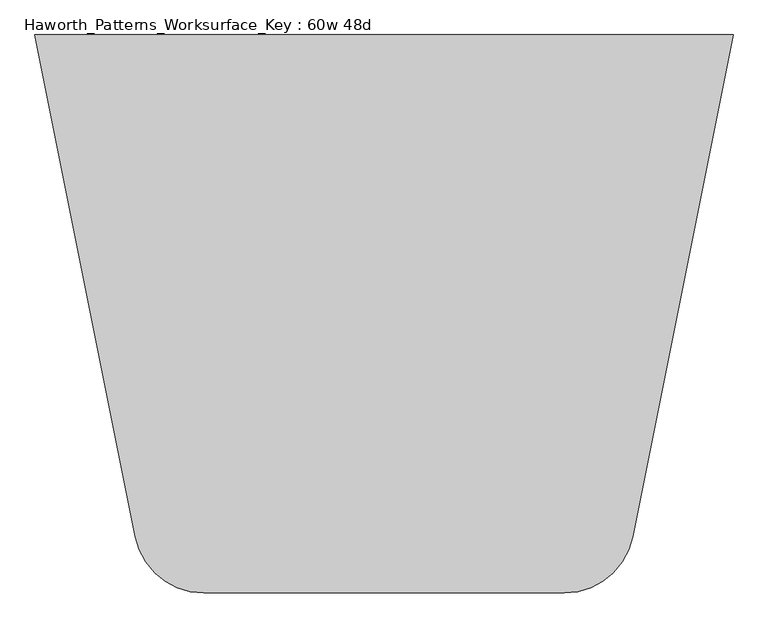
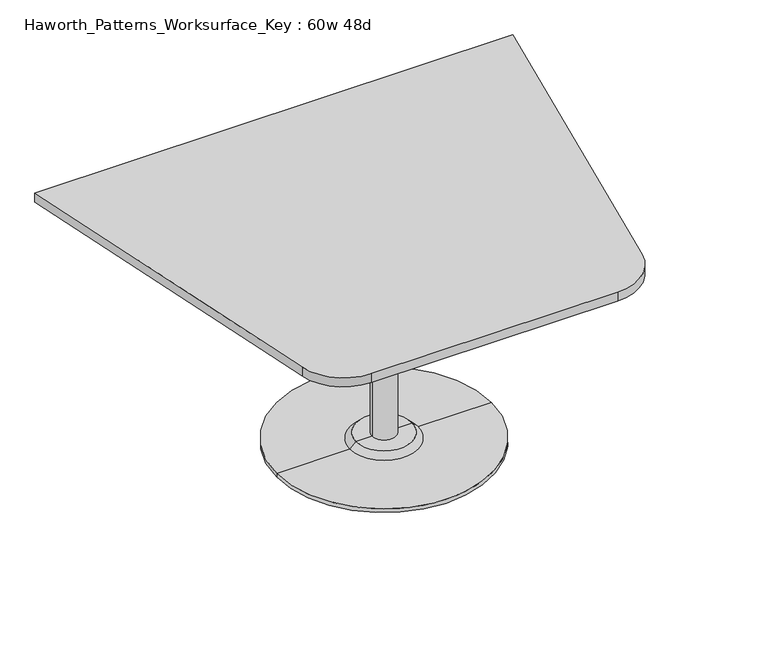
"""IFC4 building model written with IfcOpenShell, lengths in millimetres: furniture geometry, Haworth_Patterns_Worksurface_Key : 60w 48d."""

from ifc_helpers import new_model, si_unit, point, frame, frame_2d, origin, place, context, project, spatial, polyline, circle_curve, trimmed, segment, composite_curve, outline, extrude, source, transform, mapped, element, save
from ifc_brep_helpers import plane_surface, cylinder_surface, revolved_surface, advanced_brep


def haworth_patterns_worksurface_key_60w_48d_ac290f3c(model_context):
    return source(origin(), model_context, "Body", "SolidModel", [
        advanced_brep(
        [(38.1, 139.7, 706.4375), (-38.1, 139.7, 706.4375), (0.0, 139.7, 706.4375), (38.1, 139.7, 31.75), (-38.1, 139.7, 31.75), (89.723978, 139.7, 31.75), (-89.723978, 139.7, 31.75), (342.9, 139.7, 0.0), (-342.9, 139.7, 0.0), (-342.9, 139.7, 12.7), (342.9, 139.7, 12.7), (0.0, 139.7, 0.0), (108.773978, 139.7, 12.7), (-108.773978, 139.7, 12.7)],
        [
            (0, 1, circle_curve(frame((0.0, 139.7, 706.4375), z_axis=(0.0, 0.0, 1.0), x_axis=(-1.0, 0.0, 0.0)), 38.1)),
            (1, 2),
            (2, 0),
            (1, 0, circle_curve(frame((0.0, 139.7, 706.4375), z_axis=(0.0, 0.0, 1.0), x_axis=(-1.0, 0.0, 0.0)), 38.1)),
            (3, 4, circle_curve(frame((0.0, 139.7, 31.75), z_axis=(0.0, 0.0, 1.0), x_axis=(-1.0, 0.0, 0.0)), 38.1)),
            (4, 1),
            (0, 3),
            (4, 3, circle_curve(frame((0.0, 139.7, 31.75), z_axis=(0.0, 0.0, 1.0), x_axis=(-1.0, 0.0, 0.0)), 38.1)),
            (5, 6, circle_curve(frame((0.0, 139.7, 31.75), z_axis=(0.0, 0.0, 1.0), x_axis=(-1.0, 0.0, 0.0)), 89.723978)),
            (6, 4),
            (3, 5),
            (6, 5, circle_curve(frame((0.0, 139.7, 31.75), z_axis=(0.0, 0.0, 1.0), x_axis=(-1.0, 0.0, 0.0)), 89.723978)),
            (7, 8, circle_curve(frame((0.0, 139.7, 0.0), z_axis=(0.0, 0.0, 1.0), x_axis=(-1.0, 0.0, 0.0)), 342.9)),
            (8, 9),
            (9, 10, circle_curve(frame((0.0, 139.7, 12.7), z_axis=(0.0, 0.0, -1.0), x_axis=(-1.0, 0.0, 0.0)), 342.9)),
            (10, 7),
            (8, 7, circle_curve(frame((0.0, 139.7, 0.0), z_axis=(0.0, 0.0, 1.0), x_axis=(-1.0, 0.0, 0.0)), 342.9)),
            (10, 9, circle_curve(frame((0.0, 139.7, 12.7), z_axis=(0.0, 0.0, -1.0), x_axis=(-1.0, 0.0, 0.0)), 342.9)),
            (11, 8),
            (7, 11),
            (12, 13, circle_curve(frame((0.0, 139.7, 12.7), z_axis=(0.0, 0.0, 1.0), x_axis=(-1.0, 0.0, 0.0)), 108.773978)),
            (13, 6),
            (5, 12),
            (13, 12, circle_curve(frame((0.0, 139.7, 12.7), z_axis=(0.0, 0.0, 1.0), x_axis=(-1.0, 0.0, 0.0)), 108.773978)),
            (9, 13),
            (12, 10),
        ],
        [
            plane_surface(frame((0.0, 139.7, 706.4375), z_axis=(0.0, 0.0, 1.0), x_axis=(-1.0, 0.0, 0.0))),
            cylinder_surface(frame((0.0, 139.7, 889.623257), z_axis=(0.0, 0.0, -1.0), x_axis=(-1.0, 0.0, 0.0)), 38.1),
            plane_surface(frame((0.0, 139.7, 31.75), z_axis=(0.0, 0.0, 1.0), x_axis=(-1.0, 0.0, 0.0))),
            cylinder_surface(frame((0.0, 139.7, 889.623257), z_axis=(0.0, 0.0, -1.0), x_axis=(-1.0, 0.0, 0.0)), 342.9),
            plane_surface(frame((0.0, 139.7, 0.0), z_axis=(0.0, 0.0, -1.0), x_axis=(-1.0, 0.0, 0.0))),
            revolved_surface(polyline([(-89.723978, 139.7, 31.75), (-108.773978, 139.7, 12.7)]), (0.0, 139.7, 889.623257), (0.0, 0.0, -1.0)),
            plane_surface(frame((0.0, 139.7, 12.7), z_axis=(0.0, 0.0, 1.0), x_axis=(-1.0, 0.0, 0.0))),
        ],
        [
            (0, [[1, 2, 3]]),
            (0, [[4, -3, -2]]),
            (1, [[5, 6, -1, 7]]),
            (1, [[8, -7, -4, -6]]),
            (2, [[9, 10, -5, 11]]),
            (2, [[12, -11, -8, -10]]),
            (3, [[13, 14, 15, 16]]),
            (3, [[17, -16, 18, -14]]),
            (4, [[19, -13, 20]]),
            (4, [[-20, -17, -19]]),
            (5, [[21, 22, -9, 23]]),
            (5, [[24, -23, -12, -22]]),
            (6, [[-15, 25, -21, 26]]),
            (6, [[-18, -26, -24, -25]]),
        ],
    ),
        extrude(outline(composite_curve([segment(polyline([(762.0, 749.3), (542.6623802, -347.388099)]), True, "CONTINUOUS"), segment(trimmed(circle_curve(frame_2d((393.2218852, -317.5)), 152.4), [point((542.6623802, -347.388099))], [point((393.2218852, -469.9))], False, "CARTESIAN"), True, "CONTINUOUS"), segment(polyline([(393.2218852, -469.9), (-393.2218852, -469.9)]), True, "CONTINUOUS"), segment(trimmed(circle_curve(frame_2d((-393.2218852, -317.5)), 152.4), [point((-393.2218852, -469.9))], [point((-542.6623802, -347.388099))], False, "CARTESIAN"), True, "CONTINUOUS"), segment(polyline([(-542.6623802, -347.388099), (-762.0, 749.3), (762.0, 749.3)]), True, "CONTINUOUS")], self_intersect=False)), frame((0.0, 0.0, 706.4375), z_axis=(0.0, 0.0, 1.0), x_axis=(1.0, 0.0, 0.0)), (0.0, 0.0, 1.0), 30.1625),
    ])


if __name__ == "__main__":
    model = new_model("IFC4")
    model_context = context("Model", 3, world=origin())
    ifc_project = project(units=[si_unit("LENGTHUNIT", "METRE", prefix="MILLI")], contexts=[model_context])
    site = spatial("IfcSite", under=ifc_project)
    building = spatial("IfcBuilding", under=site)
    placement = place(None, origin())
    haworth_patterns_worksurface_key_60w_48d_shape = haworth_patterns_worksurface_key_60w_48d_ac290f3c(model_context)
    element("IfcFurniture", 1, ObjectType="Haworth_Patterns_Worksurface_Key : 60w 48d", at=placement, inside=building, context=model_context, shape_type="MappedRepresentation", body=[
        mapped(haworth_patterns_worksurface_key_60w_48d_shape, transform((0.0, 0.0, 0.0), x_axis=(1.0, 0.0, 0.0), y_axis=(0.0, 1.0, 0.0), z_axis=(0.0, 0.0, 1.0))),
    ])
    save(model, "model.ifc")
